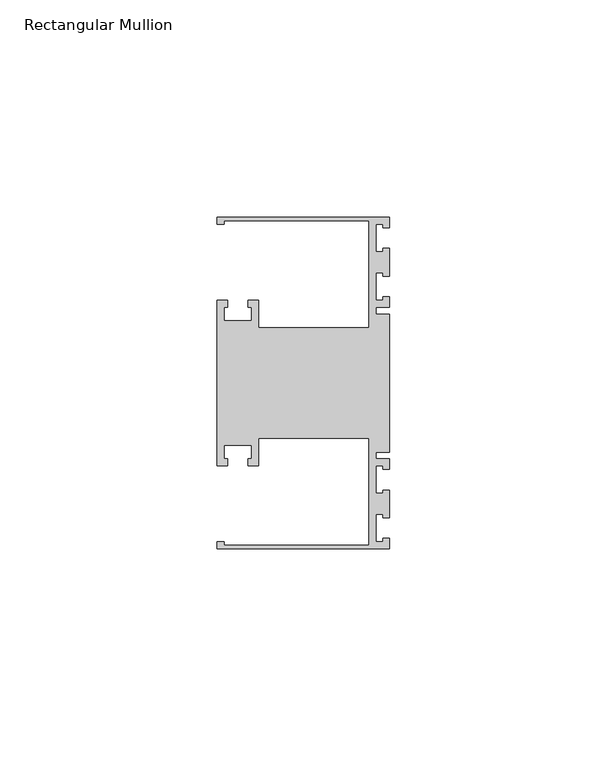
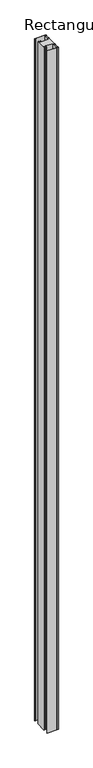
"""IFC4 building model written with IfcOpenShell, lengths in millimetres: member geometry, Rectangular Mullion."""

from ifc_helpers import new_model, si_unit, frame, origin, place, context, project, spatial, polyline, outline, extrude, source, transform, mapped, element, save


def rectangular_mullion_46f7008c(model_context):
    return source(origin(), model_context, "Body", "SweptSolid", [
        extrude(outline(polyline([(0.0, -38.1), (-39.6875, -38.1), (-39.6875, -36.5125), (-38.1, -36.5125), (-38.1, -37.30625), (-4.7625, -37.30625), (-4.7625, -12.7), (-30.1625, -12.7), (-30.1625, -19.05), (-32.54375, -19.05), (-32.54375, -17.4625), (-31.75, -17.4625), (-31.75, -14.2875), (-38.1, -14.2875), (-38.1, -17.4625), (-37.30625, -17.4625), (-37.30625, -19.05), (-39.6875, -19.05), (-39.6875, 19.05), (-37.30625, 19.05), (-37.30625, 17.4625), (-38.1, 17.4625), (-38.1, 14.2875), (-31.75, 14.2875), (-31.75, 17.4625), (-32.54375, 17.4625), (-32.54375, 19.05), (-30.1625, 19.05), (-30.1625, 12.7), (-4.7625, 12.7), (-4.7625, 37.30625), (-38.1, 37.30625), (-38.1, 36.5125), (-39.6875, 36.5125), (-39.6875, 38.1), (0.0, 38.1), (0.0, 35.71875), (-1.4999946, 35.71875), (-1.4999946, 36.5125), (-3.175, 36.5125), (-3.175, 30.1625), (-1.4999946, 30.1625), (-1.4999946, 30.95625), (0.0, 30.95625), (0.0, 24.60625), (-1.4999946, 24.60625), (-1.4999946, 25.4), (-3.175, 25.4), (-3.175, 19.05), (-1.4999946, 19.05), (-1.4999946, 19.84375), (0.0, 19.84375), (0.0, 17.4625), (-3.175, 17.4625), (-3.175, 15.875), (0.0, 15.875), (0.0, -15.875), (-3.175, -15.875), (-3.175, -17.4625), (0.0, -17.4625), (0.0, -19.84375), (-1.4999946, -19.84375), (-1.4999946, -19.05), (-3.175, -19.05), (-3.175, -25.4), (-1.4999946, -25.4), (-1.4999946, -24.60625), (0.0, -24.60625), (0.0, -30.95625), (-1.4999946, -30.95625), (-1.4999946, -30.1625), (-3.175, -30.1625), (-3.175, -36.5125), (-1.4999946, -36.5125), (-1.4999946, -35.71875), (0.0, -35.71875), (0.0, -38.1)])), frame((0.0, 0.0, -2551.1125), z_axis=(0.0, 0.0, 1.0), x_axis=(1.0, 0.0, 0.0)), (0.0, 0.0, 1.0), 2551.1125),
    ])


if __name__ == "__main__":
    model = new_model("IFC4")
    model_context = context("Model", 3, world=origin())
    ifc_project = project(units=[si_unit("LENGTHUNIT", "METRE", prefix="MILLI")], contexts=[model_context])
    site = spatial("IfcSite", under=ifc_project)
    building = spatial("IfcBuilding", under=site)
    placement = place(None, origin())
    rectangular_mullion_shape = rectangular_mullion_46f7008c(model_context)
    element("IfcMember", 1, ObjectType="Rectangular Mullion", at=placement, inside=building, context=model_context, shape_type="MappedRepresentation", body=[
        mapped(rectangular_mullion_shape, transform((0.0, 0.0, 0.0), x_axis=(1.0, 0.0, 0.0), y_axis=(0.0, 1.0, 0.0), z_axis=(0.0, 0.0, 1.0))),
    ])
    save(model, "model.ifc")
